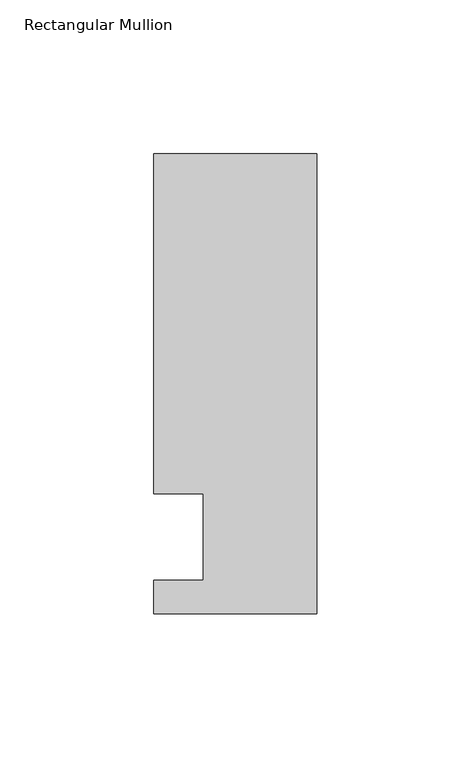
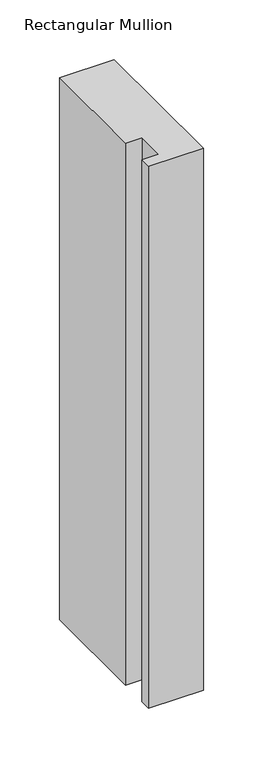
"""IFC4 building model written with IfcOpenShell, lengths in millimetres: member geometry, Rectangular Mullion."""

from ifc_helpers import new_model, si_unit, frame, origin, place, context, project, spatial, polyline, outline, extrude, source, transform, mapped, element, save


def rectangular_mullion_b2bef025(model_context):
    return source(origin(), model_context, "Body", "SweptSolid", [
        extrude(outline(polyline([(0.0, -25.0), (-53.0, -25.0), (-53.0, -14.0), (-37.0, -14.0), (-37.0, 14.0), (-53.0, 14.0), (-53.0, 124.5), (0.0, 124.5), (0.0, -25.0)])), frame((0.0, 0.0, -554.7727593), z_axis=(0.0, 0.0, 1.0), x_axis=(1.0, 0.0, 0.0)), (0.0, 0.0, 1.0), 554.7727593),
    ])


if __name__ == "__main__":
    model = new_model("IFC4")
    model_context = context("Model", 3, world=origin())
    ifc_project = project(units=[si_unit("LENGTHUNIT", "METRE", prefix="MILLI")], contexts=[model_context])
    site = spatial("IfcSite", under=ifc_project)
    building = spatial("IfcBuilding", under=site)
    placement = place(None, origin())
    rectangular_mullion_shape = rectangular_mullion_b2bef025(model_context)
    element("IfcMember", 1, ObjectType="Rectangular Mullion", at=placement, inside=building, context=model_context, shape_type="MappedRepresentation", body=[
        mapped(rectangular_mullion_shape, transform((0.0, 0.0, 0.0), x_axis=(1.0, 0.0, 0.0), y_axis=(0.0, 1.0, 0.0), z_axis=(0.0, 0.0, 1.0))),
    ])
    save(model, "model.ifc")
